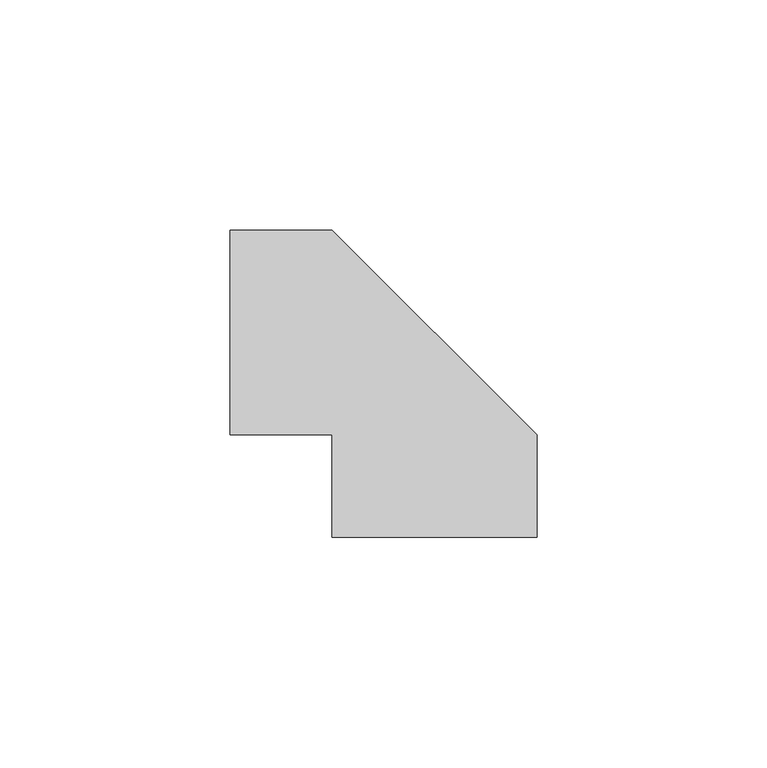
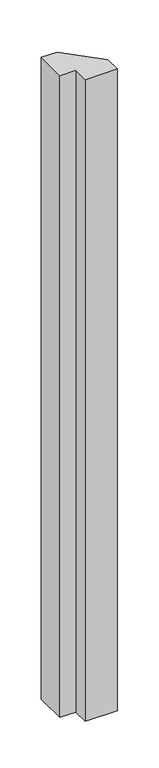
"""IFC4 building model written with IfcOpenShell, lengths in millimetres: furniture geometry."""

from ifc_helpers import new_model, si_unit, frame, origin, place, context, project, spatial, polyline, outline, extrude, source, transform, mapped, element, save


def furniture_0818e311(model_context):
    return source(origin(), model_context, "Body", "SweptSolid", [
        extrude(outline(polyline([(12.7, -44.45), (-31.75, -44.45), (-31.75, -22.225), (-53.975, -22.225), (-53.975, 22.225), (-31.75, 22.225), (12.7, -22.225), (12.7, -44.45)])), frame((0.0, 0.0, 14.732), z_axis=(0.0, 0.0, 1.0), x_axis=(1.0, 0.0, 0.0)), (0.0, 0.0, 1.0), 944.118),
    ])


if __name__ == "__main__":
    model = new_model("IFC4")
    model_context = context("Model", 3, world=origin())
    ifc_project = project(units=[si_unit("LENGTHUNIT", "METRE", prefix="MILLI")], contexts=[model_context])
    site = spatial("IfcSite", under=ifc_project)
    building = spatial("IfcBuilding", under=site)
    placement = place(None, origin())
    furniture_shape = furniture_0818e311(model_context)
    element("IfcFurniture", 1, at=placement, inside=building, context=model_context, shape_type="MappedRepresentation", body=[
        mapped(furniture_shape, transform((0.0, 0.0, 0.0), x_axis=(1.0, 0.0, 0.0), y_axis=(0.0, 1.0, 0.0), z_axis=(0.0, 0.0, 1.0))),
    ])
    save(model, "model.ifc")
